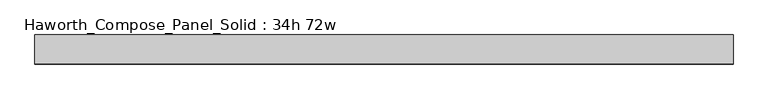
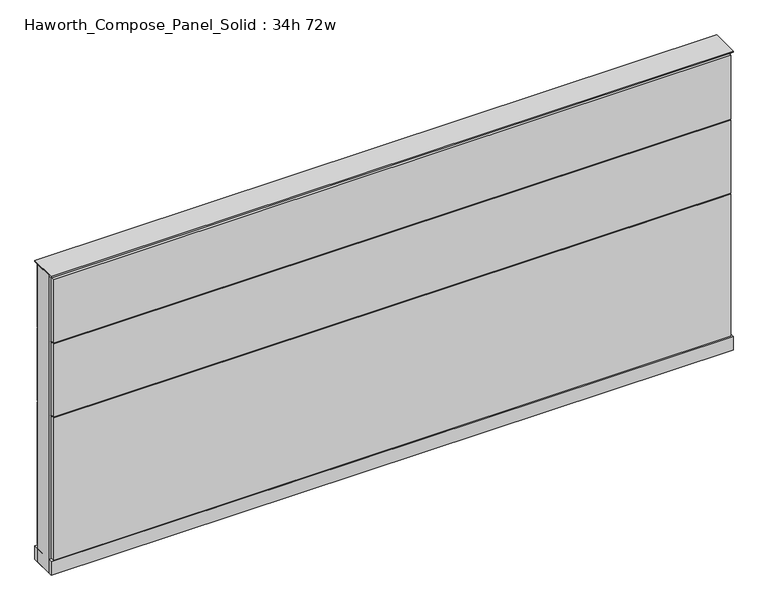
"""IFC4 building model written with IfcOpenShell, lengths in millimetres: furniture geometry, Haworth_Compose_Panel_Solid : 34h 72w."""

from ifc_helpers import new_model, si_unit, point, frame, frame_2d, origin, origin_with_axes, place, context, project, spatial, polyline, circle_curve, trimmed, segment, composite_curve, outline, extrude, source, transform, mapped, element, save


def haworth_compose_panel_solid_34h_72w_948f8d82(model_context):
    return source(origin(), model_context, "Body", "SweptSolid", [
        extrude(outline(composite_curve([segment(trimmed(circle_curve(frame_2d((-835.7597098, 0.0)), 12.7), [point((-848.4597098, 0.0))], [point((-823.0597098, 0.0))], False, "CARTESIAN"), True, "CONTINUOUS"), segment(trimmed(circle_curve(frame_2d((-835.7597098, 0.0)), 12.7), [point((-823.0597098, 0.0))], [point((-848.4597098, 0.0))], False, "CARTESIAN"), True, "CONTINUOUS")], self_intersect=False)), origin_with_axes(), (0.0, 0.0, 1.0), 12.7),
        extrude(outline(composite_curve([segment(trimmed(circle_curve(frame_2d((840.6402902, 0.0)), 12.7), [point((827.9402902, 0.0))], [point((853.3402902, 0.0))], False, "CARTESIAN"), True, "CONTINUOUS"), segment(trimmed(circle_curve(frame_2d((840.6402902, 0.0)), 12.7), [point((853.3402902, 0.0))], [point((827.9402902, 0.0))], False, "CARTESIAN"), True, "CONTINUOUS")], self_intersect=False)), origin_with_axes(), (0.0, 0.0, 1.0), 12.7),
        extrude(outline(polyline([(910.4902902, 38.1), (910.4902902, 25.4), (-905.6097098, 25.4), (-905.6097098, 38.1), (910.4902902, 38.1)])), frame((0.0, 0.0, 669.925), z_axis=(0.0, 0.0, 1.0), x_axis=(1.0, 0.0, 0.0)), (0.0, 0.0, 1.0), 180.975),
        extrude(outline(polyline([(910.4902902, 38.1), (910.4902902, 25.4), (-905.6097098, 25.4), (-905.6097098, 38.1), (910.4902902, 38.1)])), frame((0.0, 0.0, 460.375), z_axis=(0.0, 0.0, 1.0), x_axis=(1.0, 0.0, 0.0)), (0.0, 0.0, 1.0), 206.375),
        extrude(outline(polyline([(910.4902902, 38.1), (910.4902902, 25.4), (-905.6097098, 25.4), (-905.6097098, 38.1), (910.4902902, 38.1)])), frame((0.0, 0.0, 53.975), z_axis=(0.0, 0.0, 1.0), x_axis=(1.0, 0.0, 0.0)), (0.0, 0.0, 1.0), 403.225),
        extrude(outline(polyline([(910.4902902, -38.1), (-905.6097098, -38.1), (-905.6097098, -25.4), (910.4902902, -25.4), (910.4902902, -38.1)])), frame((0.0, 0.0, 669.925), z_axis=(0.0, 0.0, 1.0), x_axis=(1.0, 0.0, 0.0)), (0.0, 0.0, 1.0), 180.975),
        extrude(outline(polyline([(910.4902902, -38.1), (-905.6097098, -38.1), (-905.6097098, -25.4), (910.4902902, -25.4), (910.4902902, -38.1)])), frame((0.0, 0.0, 460.375), z_axis=(0.0, 0.0, 1.0), x_axis=(1.0, 0.0, 0.0)), (0.0, 0.0, 1.0), 206.375),
        extrude(outline(polyline([(910.4902902, -38.1), (-905.6097098, -38.1), (-905.6097098, -25.4), (910.4902902, -25.4), (910.4902902, -38.1)])), frame((0.0, 0.0, 53.975), z_axis=(0.0, 0.0, 1.0), x_axis=(1.0, 0.0, 0.0)), (0.0, 0.0, 1.0), 403.225),
        extrude(outline(polyline([(916.8402902, 25.4), (916.8402902, -25.4), (-911.9597098, -25.4), (-911.9597098, 25.4), (916.8402902, 25.4)])), frame((0.0, 0.0, 12.7), z_axis=(0.0, 0.0, 1.0), x_axis=(1.0, 0.0, 0.0)), (0.0, 0.0, 1.0), 844.55),
        extrude(outline(polyline([(-911.9597098, -38.1), (-911.9597098, 38.1), (916.8402902, 38.1), (916.8402902, -38.1), (-911.9597098, -38.1)])), frame((0.0, 0.0, 12.7), z_axis=(0.0, 0.0, 1.0), x_axis=(1.0, 0.0, 0.0)), (0.0, 0.0, 1.0), 38.1),
        extrude(outline(polyline([(-911.9597098, -38.1), (-911.9597098, 38.1), (916.8402902, 38.1), (916.8402902, -38.1), (-911.9597098, -38.1)])), frame((0.0, 0.0, 857.25), z_axis=(0.0, 0.0, 1.0), x_axis=(1.0, 0.0, 0.0)), (0.0, 0.0, 1.0), 3.175),
    ])


if __name__ == "__main__":
    model = new_model("IFC4")
    model_context = context("Model", 3, world=origin())
    ifc_project = project(units=[si_unit("LENGTHUNIT", "METRE", prefix="MILLI")], contexts=[model_context])
    site = spatial("IfcSite", under=ifc_project)
    building = spatial("IfcBuilding", under=site)
    placement = place(None, origin())
    haworth_compose_panel_solid_34h_72w_shape = haworth_compose_panel_solid_34h_72w_948f8d82(model_context)
    element("IfcFurniture", 1, ObjectType="Haworth_Compose_Panel_Solid : 34h 72w", at=placement, inside=building, context=model_context, shape_type="MappedRepresentation", body=[
        mapped(haworth_compose_panel_solid_34h_72w_shape, transform((0.0, 0.0, 0.0), x_axis=(1.0, 0.0, 0.0), y_axis=(0.0, 1.0, 0.0), z_axis=(0.0, 0.0, 1.0))),
    ])
    save(model, "model.ifc")
